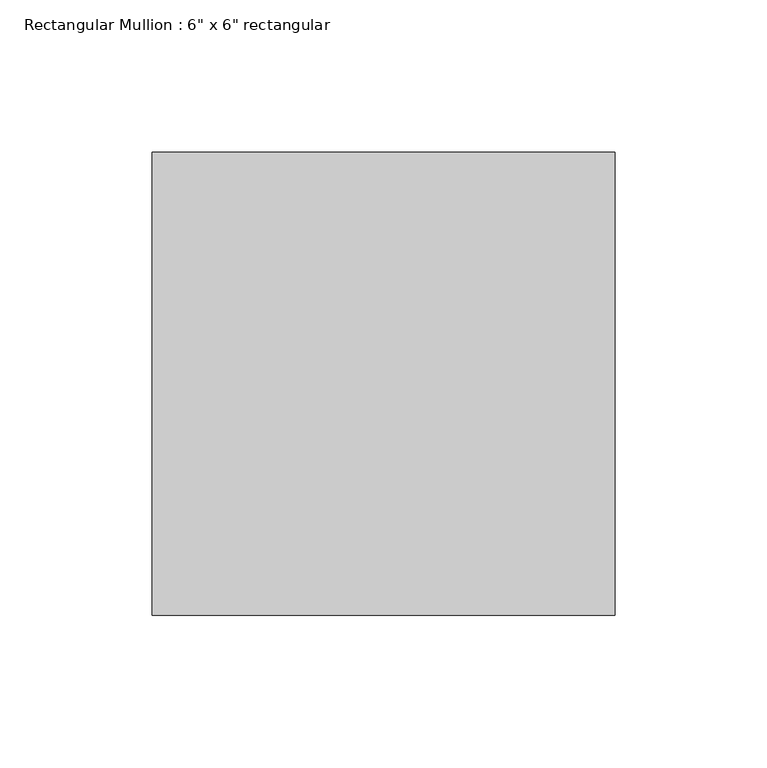
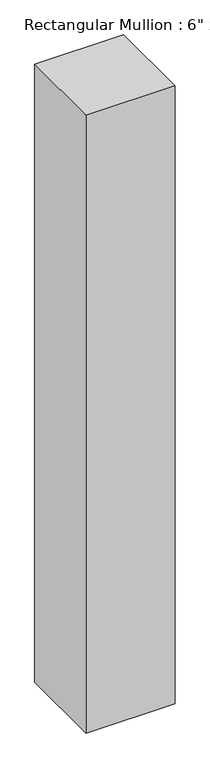
"""IFC4 building model written with IfcOpenShell, lengths in millimetres: member geometry."""

from ifc_helpers import new_model, si_unit, frame, origin, place, context, project, spatial, polyline, outline, extrude, source, transform, mapped, element, save


def member_25bfb81f(model_context):
    return source(origin(), model_context, "Body", "SweptSolid", [
        extrude(outline(polyline([(0.0, 76.2), (0.0, -76.2), (-152.4, -76.2), (-152.4, 76.2), (0.0, 76.2)])), frame((0.0, 0.0, -1117.6), z_axis=(0.0, 0.0, 1.0), x_axis=(1.0, 0.0, 0.0)), (0.0, 0.0, 1.0), 1117.6),
    ])


if __name__ == "__main__":
    model = new_model("IFC4")
    model_context = context("Model", 3, world=origin())
    ifc_project = project(units=[si_unit("LENGTHUNIT", "METRE", prefix="MILLI")], contexts=[model_context])
    site = spatial("IfcSite", under=ifc_project)
    building = spatial("IfcBuilding", under=site)
    placement = place(None, origin())
    member_shape = member_25bfb81f(model_context)
    element("IfcMember", 1, ObjectType="Rectangular Mullion : 6\" x 6\" rectangular", at=placement, inside=building, context=model_context, shape_type="MappedRepresentation", body=[
        mapped(member_shape, transform((0.0, 0.0, 0.0), x_axis=(1.0, 0.0, 0.0), y_axis=(0.0, 1.0, 0.0), z_axis=(0.0, 0.0, 1.0))),
    ])
    save(model, "model.ifc")
